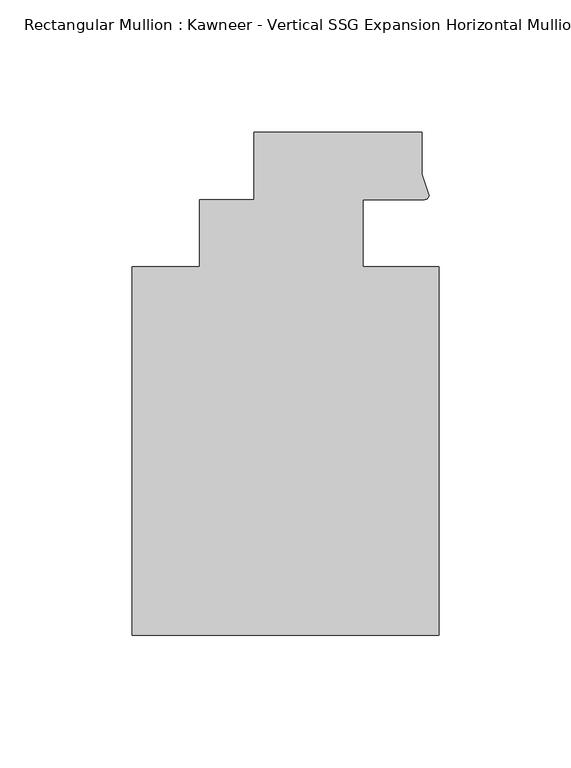
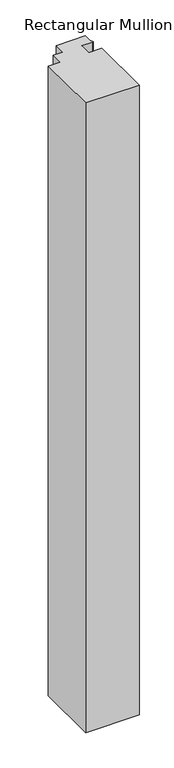
"""IFC4 building model written with IfcOpenShell, lengths in millimetres: member geometry."""

from ifc_helpers import new_model, si_unit, point, frame, frame_2d, origin, place, context, project, spatial, polyline, circle_curve, trimmed, segment, composite_curve, outline, extrude, source, transform, mapped, element, save


def member_d3e36ccf(model_context):
    return source(origin(), model_context, "Body", "SweptSolid", [
        extrude(outline(composite_curve([segment(polyline([(48.2997293, 12.7000881), (25.0401592, 12.7000881), (25.0401592, -12.7), (53.615046, -12.7), (53.615046, -151.892), (-62.2957636, -151.892), (-62.2957636, -12.7), (-36.8958768, -12.7), (-36.8958768, 12.7), (-16.234954, 12.7), (-16.234954, 38.1), (47.265046, 38.1), (47.265046, 22.2250977), (49.9159011, 14.2884292)]), True, "CONTINUOUS"), segment(trimmed(circle_curve(frame_2d((48.2162832, 14.401412)), 1.703369), [point((49.9159011, 14.2884292))], [point((48.2997293, 12.7000881))], False, "CARTESIAN"), True, "CONTINUOUS")], self_intersect=False)), frame((0.0, 0.0, -1443.626542), z_axis=(0.0, 0.0, 1.0), x_axis=(1.0, 0.0, 0.0)), (0.0, 0.0, 1.0), 1443.626542),
    ])


if __name__ == "__main__":
    model = new_model("IFC4")
    model_context = context("Model", 3, world=origin())
    ifc_project = project(units=[si_unit("LENGTHUNIT", "METRE", prefix="MILLI")], contexts=[model_context])
    site = spatial("IfcSite", under=ifc_project)
    building = spatial("IfcBuilding", under=site)
    placement = place(None, origin())
    member_shape = member_d3e36ccf(model_context)
    element("IfcMember", 1, ObjectType="Rectangular Mullion : Kawneer - Vertical SSG Expansion Horizontal Mullion - 7 1/2\"", at=placement, inside=building, context=model_context, shape_type="MappedRepresentation", body=[
        mapped(member_shape, transform((0.0, 0.0, 0.0), x_axis=(1.0, 0.0, 0.0), y_axis=(0.0, 1.0, 0.0), z_axis=(0.0, 0.0, 1.0))),
    ])
    save(model, "model.ifc")
